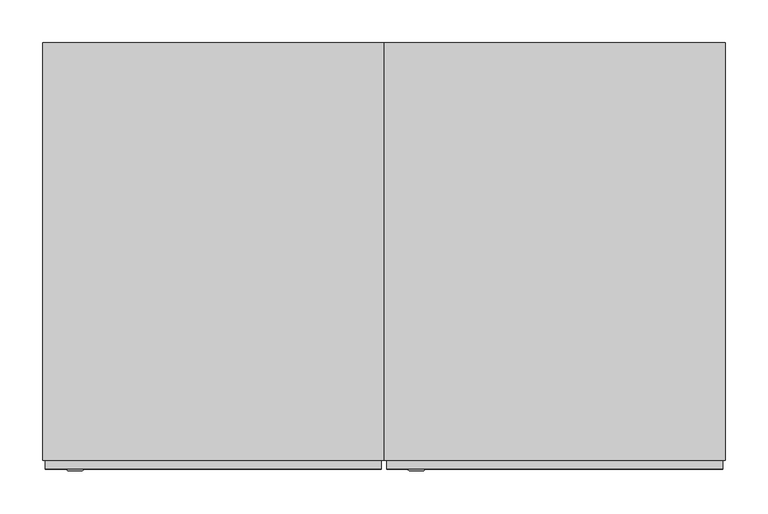
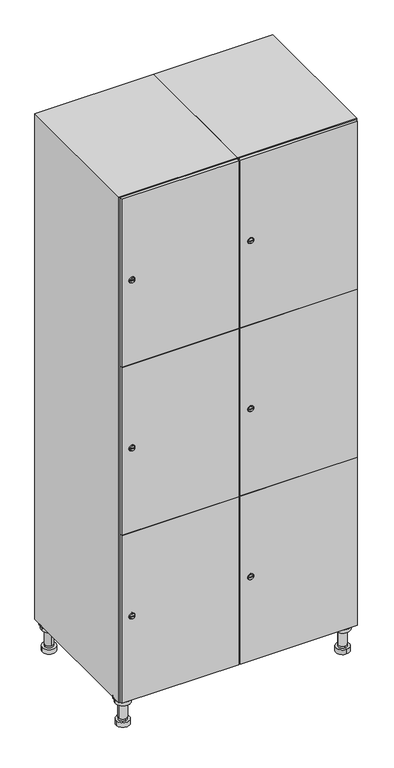
"""IFC4 building model written with IfcOpenShell, lengths in millimetres: furniture geometry."""

from ifc_helpers import new_model, si_unit, point, frame, frame_2d, origin, place, context, project, spatial, polyline, circle_curve, trimmed, segment, composite_curve, outline, extrude, faceted_brep, source, transform, mapped, element, save
from ifc_brep_helpers import plane_surface, cylinder_surface, revolved_surface, advanced_brep


def furniture_3eb37716(model_context):
    return source(origin(), model_context, "Body", "SolidModel", [
        advanced_brep(
        [(570.0, -201.0, 22.0), (570.0, -201.5, 16.0), (570.0, -228.5, 16.0), (570.0, -229.0, 22.0), (556.0, -215.0, 22.0), (584.0, -215.0, 22.0), (570.0, -192.5, 16.0), (570.0, -237.5, 16.0), (570.0, -192.5, 0.0), (570.0, -237.5, 0.0), (584.0, -215.0, 78.0), (556.0, -215.0, 78.0), (595.0, -215.0, 78.0), (545.0, -215.0, 78.0), (600.0, -215.0, 94.0), (540.0, -215.0, 94.0), (545.0, -215.0, 94.0), (595.0, -215.0, 94.0), (600.0, -215.0, 100.0), (540.0, -215.0, 100.0)],
        [
            (0, 1),
            (1, 2, circle_curve(frame((570.0, -215.0, 16.0), z_axis=(0.0, 0.0, 1.0), x_axis=(0.0, -1.0, 0.0)), 13.5)),
            (2, 3),
            (3, 4, circle_curve(frame((570.0, -215.0, 22.0), z_axis=(0.0, 0.0, -1.0), x_axis=(0.0, -1.0, 0.0)), 14.0)),
            (4, 0, circle_curve(frame((570.0, -215.0, 22.0), z_axis=(0.0, 0.0, -1.0), x_axis=(0.0, -1.0, 0.0)), 14.0)),
            (0, 5, circle_curve(frame((570.0, -215.0, 22.0), z_axis=(0.0, 0.0, -1.0), x_axis=(0.0, 1.0, 0.0)), 14.0)),
            (5, 3, circle_curve(frame((570.0, -215.0, 22.0), z_axis=(0.0, 0.0, -1.0), x_axis=(0.0, 1.0, 0.0)), 14.0)),
            (2, 1, circle_curve(frame((570.0, -215.0, 16.0), z_axis=(0.0, 0.0, 1.0), x_axis=(0.0, 1.0, 0.0)), 13.5)),
            (6, 7, circle_curve(frame((570.0, -215.0, 16.0), z_axis=(0.0, 0.0, 1.0), x_axis=(0.0, -1.0, 0.0)), 22.5)),
            (7, 6, circle_curve(frame((570.0, -215.0, 16.0), z_axis=(0.0, 0.0, 1.0), x_axis=(0.0, -1.0, 0.0)), 22.5)),
            (8, 9, circle_curve(frame((570.0, -215.0, 0.0), z_axis=(0.0, 0.0, -1.0), x_axis=(0.0, -1.0, 0.0)), 22.5)),
            (9, 8, circle_curve(frame((570.0, -215.0, 0.0), z_axis=(0.0, 0.0, -1.0), x_axis=(0.0, -1.0, 0.0)), 22.5)),
            (6, 8),
            (9, 7),
            (5, 10),
            (10, 11, circle_curve(frame((570.0, -215.0, 78.0), z_axis=(0.0, 0.0, -1.0), x_axis=(-1.0, 0.0, 0.0)), 14.0)),
            (11, 4),
            (11, 10, circle_curve(frame((570.0, -215.0, 78.0), z_axis=(0.0, 0.0, -1.0), x_axis=(-1.0, 0.0, 0.0)), 14.0)),
            (12, 13, circle_curve(frame((570.0, -215.0, 78.0), z_axis=(0.0, 0.0, -1.0), x_axis=(-1.0, 0.0, 0.0)), 25.0)),
            (13, 12, circle_curve(frame((570.0, -215.0, 78.0), z_axis=(0.0, 0.0, -1.0), x_axis=(-1.0, 0.0, 0.0)), 25.0)),
            (14, 15, circle_curve(frame((570.0, -215.0, 94.0), z_axis=(0.0, 0.0, -1.0), x_axis=(-1.0, 0.0, 0.0)), 30.0)),
            (15, 14, circle_curve(frame((570.0, -215.0, 94.0), z_axis=(0.0, 0.0, -1.0), x_axis=(-1.0, 0.0, 0.0)), 30.0)),
            (16, 17, circle_curve(frame((570.0, -215.0, 94.0), z_axis=(0.0, 0.0, 1.0), x_axis=(-1.0, 0.0, 0.0)), 25.0)),
            (17, 16, circle_curve(frame((570.0, -215.0, 94.0), z_axis=(0.0, 0.0, 1.0), x_axis=(-1.0, 0.0, 0.0)), 25.0)),
            (18, 19, circle_curve(frame((570.0, -215.0, 100.0), z_axis=(0.0, 0.0, 1.0), x_axis=(-1.0, 0.0, 0.0)), 30.0)),
            (19, 18, circle_curve(frame((570.0, -215.0, 100.0), z_axis=(0.0, 0.0, 1.0), x_axis=(-1.0, 0.0, 0.0)), 30.0)),
            (14, 18),
            (19, 15),
            (12, 17),
            (16, 13),
        ],
        [
            revolved_surface(polyline([(570.0, -201.5, 16.0), (570.0, -201.0, 22.0)]), (570.0, -215.0, -146.0), (0.0, 0.0, 1.0)),
            plane_surface(frame((570.0, 0.0, 16.0), z_axis=(0.0, 0.0, 1.0), x_axis=(0.0, -1.0, 0.0))),
            plane_surface(frame((570.0, 0.0, 0.0), z_axis=(0.0, 0.0, -1.0), x_axis=(0.0, -1.0, 0.0))),
            cylinder_surface(frame((570.0, -215.0, 16.0), z_axis=(0.0, 0.0, 1.0), x_axis=(0.0, -1.0, 0.0)), 22.5),
            cylinder_surface(frame((570.0, -215.0, 22.0), z_axis=(0.0, 0.0, -1.0), x_axis=(-1.0, 0.0, 0.0)), 14.0),
            plane_surface(frame((570.0, 0.0, 78.0), z_axis=(0.0, 0.0, -1.0), x_axis=(0.0, -1.0, 0.0))),
            plane_surface(frame((570.0, 0.0, 94.0), z_axis=(0.0, 0.0, -1.0), x_axis=(0.0, -1.0, 0.0))),
            plane_surface(frame((570.0, 0.0, 100.0), z_axis=(0.0, 0.0, 1.0), x_axis=(0.0, -1.0, 0.0))),
            cylinder_surface(frame((570.0, -215.0, 94.0), z_axis=(0.0, 0.0, -1.0), x_axis=(-1.0, 0.0, 0.0)), 30.0),
            cylinder_surface(frame((570.0, -215.0, 78.0), z_axis=(0.0, 0.0, -1.0), x_axis=(-1.0, 0.0, 0.0)), 25.0),
        ],
        [
            (0, [[1, 2, 3, 4, 5]]),
            (0, [[-1, 6, 7, -3, 8]]),
            (1, [[9, 10], [-2, -8]]),
            (2, [[11, 12]]),
            (3, [[-9, 13, -12, 14]]),
            (3, [[-10, -14, -11, -13]]),
            (4, [[15, 16, 17, -4, -7]]),
            (4, [[-15, -6, -5, -17, 18]]),
            (5, [[19, 20], [-16, -18]]),
            (6, [[21, 22], [23, 24]]),
            (7, [[25, 26]]),
            (8, [[-21, 27, -26, 28]]),
            (8, [[-22, -28, -25, -27]]),
            (9, [[-19, 29, -23, 30]]),
            (9, [[-20, -30, -24, -29]]),
        ],
    ),
        advanced_brep(
        [(-170.0, -201.0, 22.0), (-170.0, -201.5, 16.0), (-170.0, -228.5, 16.0), (-170.0, -229.0, 22.0), (-184.0, -215.0, 22.0), (-156.0, -215.0, 22.0), (-147.5, -215.0, 0.0), (-192.5, -215.0, 0.0), (-147.5, -215.0, 16.0), (-192.5, -215.0, 16.0), (-156.0, -215.0, 78.0), (-184.0, -215.0, 78.0), (-145.0, -215.0, 78.0), (-195.0, -215.0, 78.0), (-140.0, -215.0, 94.0), (-200.0, -215.0, 94.0), (-195.0, -215.0, 94.0), (-145.0, -215.0, 94.0), (-140.0, -215.0, 100.0), (-200.0, -215.0, 100.0)],
        [
            (0, 1),
            (1, 2, circle_curve(frame((-170.0, -215.0, 16.0), z_axis=(0.0, 0.0, 1.0), x_axis=(0.0, -1.0, 0.0)), 13.5)),
            (2, 3),
            (3, 4, circle_curve(frame((-170.0, -215.0, 22.0), z_axis=(0.0, 0.0, -1.0), x_axis=(0.0, -1.0, 0.0)), 14.0)),
            (4, 0, circle_curve(frame((-170.0, -215.0, 22.0), z_axis=(0.0, 0.0, -1.0), x_axis=(0.0, -1.0, 0.0)), 14.0)),
            (0, 5, circle_curve(frame((-170.0, -215.0, 22.0), z_axis=(0.0, 0.0, -1.0), x_axis=(0.0, 1.0, 0.0)), 14.0)),
            (5, 3, circle_curve(frame((-170.0, -215.0, 22.0), z_axis=(0.0, 0.0, -1.0), x_axis=(0.0, 1.0, 0.0)), 14.0)),
            (2, 1, circle_curve(frame((-170.0, -215.0, 16.0), z_axis=(0.0, 0.0, 1.0), x_axis=(0.0, 1.0, 0.0)), 13.5)),
            (6, 7, circle_curve(frame((-170.0, -215.0, 0.0), z_axis=(0.0, 0.0, -1.0), x_axis=(-1.0, 0.0, 0.0)), 22.5)),
            (7, 6, circle_curve(frame((-170.0, -215.0, 0.0), z_axis=(0.0, 0.0, -1.0), x_axis=(-1.0, 0.0, 0.0)), 22.5)),
            (8, 9, circle_curve(frame((-170.0, -215.0, 16.0), z_axis=(0.0, 0.0, 1.0), x_axis=(-1.0, 0.0, 0.0)), 22.5)),
            (9, 8, circle_curve(frame((-170.0, -215.0, 16.0), z_axis=(0.0, 0.0, 1.0), x_axis=(-1.0, 0.0, 0.0)), 22.5)),
            (6, 8),
            (9, 7),
            (5, 10),
            (10, 11, circle_curve(frame((-170.0, -215.0, 78.0), z_axis=(0.0, 0.0, -1.0), x_axis=(-1.0, 0.0, 0.0)), 14.0)),
            (11, 4),
            (11, 10, circle_curve(frame((-170.0, -215.0, 78.0), z_axis=(0.0, 0.0, -1.0), x_axis=(-1.0, 0.0, 0.0)), 14.0)),
            (12, 13, circle_curve(frame((-170.0, -215.0, 78.0), z_axis=(0.0, 0.0, -1.0), x_axis=(-1.0, 0.0, 0.0)), 25.0)),
            (13, 12, circle_curve(frame((-170.0, -215.0, 78.0), z_axis=(0.0, 0.0, -1.0), x_axis=(-1.0, 0.0, 0.0)), 25.0)),
            (14, 15, circle_curve(frame((-170.0, -215.0, 94.0), z_axis=(0.0, 0.0, -1.0), x_axis=(-1.0, 0.0, 0.0)), 30.0)),
            (15, 14, circle_curve(frame((-170.0, -215.0, 94.0), z_axis=(0.0, 0.0, -1.0), x_axis=(-1.0, 0.0, 0.0)), 30.0)),
            (16, 17, circle_curve(frame((-170.0, -215.0, 94.0), z_axis=(0.0, 0.0, 1.0), x_axis=(-1.0, 0.0, 0.0)), 25.0)),
            (17, 16, circle_curve(frame((-170.0, -215.0, 94.0), z_axis=(0.0, 0.0, 1.0), x_axis=(-1.0, 0.0, 0.0)), 25.0)),
            (18, 19, circle_curve(frame((-170.0, -215.0, 100.0), z_axis=(0.0, 0.0, 1.0), x_axis=(-1.0, 0.0, 0.0)), 30.0)),
            (19, 18, circle_curve(frame((-170.0, -215.0, 100.0), z_axis=(0.0, 0.0, 1.0), x_axis=(-1.0, 0.0, 0.0)), 30.0)),
            (14, 18),
            (19, 15),
            (12, 17),
            (16, 13),
        ],
        [
            revolved_surface(polyline([(-170.0, -201.5, 16.0), (-170.0, -201.0, 22.0)]), (-170.0, -215.0, -146.0), (0.0, 0.0, 1.0)),
            plane_surface(frame((-170.0, 0.0, 0.0), z_axis=(0.0, 0.0, -1.0), x_axis=(0.0, -1.0, 0.0))),
            plane_surface(frame((-170.0, 0.0, 16.0), z_axis=(0.0, 0.0, 1.0), x_axis=(0.0, -1.0, 0.0))),
            cylinder_surface(frame((-170.0, -215.0, 0.0), z_axis=(0.0, 0.0, -1.0), x_axis=(-1.0, 0.0, 0.0)), 22.5),
            cylinder_surface(frame((-170.0, -215.0, 22.0), z_axis=(0.0, 0.0, -1.0), x_axis=(-1.0, 0.0, 0.0)), 14.0),
            plane_surface(frame((-170.0, 0.0, 78.0), z_axis=(0.0, 0.0, -1.0), x_axis=(0.0, -1.0, 0.0))),
            plane_surface(frame((-170.0, 0.0, 94.0), z_axis=(0.0, 0.0, -1.0), x_axis=(0.0, -1.0, 0.0))),
            plane_surface(frame((-170.0, 0.0, 100.0), z_axis=(0.0, 0.0, 1.0), x_axis=(0.0, -1.0, 0.0))),
            cylinder_surface(frame((-170.0, -215.0, 94.0), z_axis=(0.0, 0.0, -1.0), x_axis=(-1.0, 0.0, 0.0)), 30.0),
            cylinder_surface(frame((-170.0, -215.0, 78.0), z_axis=(0.0, 0.0, -1.0), x_axis=(-1.0, 0.0, 0.0)), 25.0),
        ],
        [
            (0, [[1, 2, 3, 4, 5]]),
            (0, [[-1, 6, 7, -3, 8]]),
            (1, [[9, 10]]),
            (2, [[11, 12], [-2, -8]]),
            (3, [[-9, 13, -12, 14]]),
            (3, [[-10, -14, -11, -13]]),
            (4, [[15, 16, 17, -4, -7]]),
            (4, [[-15, -6, -5, -17, 18]]),
            (5, [[19, 20], [-16, -18]]),
            (6, [[21, 22], [23, 24]]),
            (7, [[25, 26]]),
            (8, [[-21, 27, -26, 28]]),
            (8, [[-22, -28, -25, -27]]),
            (9, [[-19, 29, -23, 30]]),
            (9, [[-20, -30, -24, -29]]),
        ],
    ),
        advanced_brep(
        [(583.5, 215.0, 16.0), (584.0, 215.0, 22.0), (556.0, 215.0, 22.0), (556.5, 215.0, 16.0), (592.5, 215.0, 0.0), (547.5, 215.0, 0.0), (592.5, 215.0, 16.0), (547.5, 215.0, 16.0), (584.0, 215.0, 78.0), (556.0, 215.0, 78.0), (595.0, 215.0, 78.0), (545.0, 215.0, 78.0), (600.0, 215.0, 94.0), (540.0, 215.0, 94.0), (545.0, 215.0, 94.0), (595.0, 215.0, 94.0), (600.0, 215.0, 100.0), (540.0, 215.0, 100.0)],
        [
            (0, 1),
            (1, 2, circle_curve(frame((570.0, 215.0, 22.0), z_axis=(0.0, 0.0, -1.0), x_axis=(-1.0, 0.0, 0.0)), 14.0)),
            (2, 3),
            (3, 0, circle_curve(frame((570.0, 215.0, 16.0), z_axis=(0.0, 0.0, 1.0), x_axis=(-1.0, 0.0, 0.0)), 13.5)),
            (0, 3, circle_curve(frame((570.0, 215.0, 16.0), z_axis=(0.0, 0.0, 1.0), x_axis=(1.0, 0.0, 0.0)), 13.5)),
            (2, 1, circle_curve(frame((570.0, 215.0, 22.0), z_axis=(0.0, 0.0, -1.0), x_axis=(1.0, 0.0, 0.0)), 14.0)),
            (4, 5, circle_curve(frame((570.0, 215.0, 0.0), z_axis=(0.0, 0.0, -1.0), x_axis=(-1.0, 0.0, 0.0)), 22.5)),
            (5, 4, circle_curve(frame((570.0, 215.0, 0.0), z_axis=(0.0, 0.0, -1.0), x_axis=(-1.0, 0.0, 0.0)), 22.5)),
            (6, 7, circle_curve(frame((570.0, 215.0, 16.0), z_axis=(0.0, 0.0, 1.0), x_axis=(-1.0, 0.0, 0.0)), 22.5)),
            (7, 6, circle_curve(frame((570.0, 215.0, 16.0), z_axis=(0.0, 0.0, 1.0), x_axis=(-1.0, 0.0, 0.0)), 22.5)),
            (4, 6),
            (7, 5),
            (1, 8),
            (8, 9, circle_curve(frame((570.0, 215.0, 78.0), z_axis=(0.0, 0.0, -1.0), x_axis=(-1.0, 0.0, 0.0)), 14.0)),
            (9, 2),
            (9, 8, circle_curve(frame((570.0, 215.0, 78.0), z_axis=(0.0, 0.0, -1.0), x_axis=(-1.0, 0.0, 0.0)), 14.0)),
            (10, 11, circle_curve(frame((570.0, 215.0, 78.0), z_axis=(0.0, 0.0, -1.0), x_axis=(-1.0, 0.0, 0.0)), 25.0)),
            (11, 10, circle_curve(frame((570.0, 215.0, 78.0), z_axis=(0.0, 0.0, -1.0), x_axis=(-1.0, 0.0, 0.0)), 25.0)),
            (12, 13, circle_curve(frame((570.0, 215.0, 94.0), z_axis=(0.0, 0.0, -1.0), x_axis=(-1.0, 0.0, 0.0)), 30.0)),
            (13, 12, circle_curve(frame((570.0, 215.0, 94.0), z_axis=(0.0, 0.0, -1.0), x_axis=(-1.0, 0.0, 0.0)), 30.0)),
            (14, 15, circle_curve(frame((570.0, 215.0, 94.0), z_axis=(0.0, 0.0, 1.0), x_axis=(-1.0, 0.0, 0.0)), 25.0)),
            (15, 14, circle_curve(frame((570.0, 215.0, 94.0), z_axis=(0.0, 0.0, 1.0), x_axis=(-1.0, 0.0, 0.0)), 25.0)),
            (16, 17, circle_curve(frame((570.0, 215.0, 100.0), z_axis=(0.0, 0.0, 1.0), x_axis=(-1.0, 0.0, 0.0)), 30.0)),
            (17, 16, circle_curve(frame((570.0, 215.0, 100.0), z_axis=(0.0, 0.0, 1.0), x_axis=(-1.0, 0.0, 0.0)), 30.0)),
            (12, 16),
            (17, 13),
            (10, 15),
            (14, 11),
        ],
        [
            revolved_surface(polyline([(583.5, 215.0, 16.0), (584.0, 215.0, 22.0)]), (570.0, 215.0, -146.0), (0.0, 0.0, 1.0)),
            plane_surface(frame((570.0, 0.0, 0.0), z_axis=(0.0, 0.0, -1.0), x_axis=(0.0, -1.0, 0.0))),
            plane_surface(frame((570.0, 0.0, 16.0), z_axis=(0.0, 0.0, 1.0), x_axis=(0.0, -1.0, 0.0))),
            cylinder_surface(frame((570.0, 215.0, 0.0), z_axis=(0.0, 0.0, -1.0), x_axis=(-1.0, 0.0, 0.0)), 22.5),
            cylinder_surface(frame((570.0, 215.0, 22.0), z_axis=(0.0, 0.0, -1.0), x_axis=(-1.0, 0.0, 0.0)), 14.0),
            plane_surface(frame((570.0, 0.0, 78.0), z_axis=(0.0, 0.0, -1.0), x_axis=(0.0, -1.0, 0.0))),
            plane_surface(frame((570.0, 0.0, 94.0), z_axis=(0.0, 0.0, -1.0), x_axis=(0.0, -1.0, 0.0))),
            plane_surface(frame((570.0, 0.0, 100.0), z_axis=(0.0, 0.0, 1.0), x_axis=(0.0, -1.0, 0.0))),
            cylinder_surface(frame((570.0, 215.0, 94.0), z_axis=(0.0, 0.0, -1.0), x_axis=(-1.0, 0.0, 0.0)), 30.0),
            cylinder_surface(frame((570.0, 215.0, 78.0), z_axis=(0.0, 0.0, -1.0), x_axis=(-1.0, 0.0, 0.0)), 25.0),
        ],
        [
            (0, [[1, 2, 3, 4]]),
            (0, [[-1, 5, -3, 6]]),
            (1, [[7, 8]]),
            (2, [[9, 10], [-4, -5]]),
            (3, [[-7, 11, -10, 12]]),
            (3, [[-8, -12, -9, -11]]),
            (4, [[13, 14, 15, -2]]),
            (4, [[-13, -6, -15, 16]]),
            (5, [[17, 18], [-14, -16]]),
            (6, [[19, 20], [21, 22]]),
            (7, [[23, 24]]),
            (8, [[-19, 25, -24, 26]]),
            (8, [[-20, -26, -23, -25]]),
            (9, [[-17, 27, -21, 28]]),
            (9, [[-18, -28, -22, -27]]),
        ],
    ),
        advanced_brep(
        [(-156.5, 215.0, 16.0), (-156.0, 215.0, 22.0), (-170.0, 201.0, 22.0), (-184.0, 215.0, 22.0), (-183.5, 215.0, 16.0), (-170.0, 229.0, 22.0), (-147.5, 215.0, 0.0), (-192.5, 215.0, 0.0), (-147.5, 215.0, 16.0), (-192.5, 215.0, 16.0), (-170.0, 229.0, 78.0), (-170.0, 201.0, 78.0), (-145.0, 215.0, 78.0), (-195.0, 215.0, 78.0), (-140.0, 215.0, 94.0), (-200.0, 215.0, 94.0), (-195.0, 215.0, 94.0), (-145.0, 215.0, 94.0), (-140.0, 215.0, 100.0), (-200.0, 215.0, 100.0)],
        [
            (0, 1),
            (1, 2, circle_curve(frame((-170.0, 215.0, 22.0), z_axis=(0.0, 0.0, -1.0), x_axis=(-1.0, 0.0, 0.0)), 14.0)),
            (2, 3, circle_curve(frame((-170.0, 215.0, 22.0), z_axis=(0.0, 0.0, -1.0), x_axis=(-1.0, 0.0, 0.0)), 14.0)),
            (3, 4),
            (4, 0, circle_curve(frame((-170.0, 215.0, 16.0), z_axis=(0.0, 0.0, 1.0), x_axis=(-1.0, 0.0, 0.0)), 13.5)),
            (0, 4, circle_curve(frame((-170.0, 215.0, 16.0), z_axis=(0.0, 0.0, 1.0), x_axis=(1.0, 0.0, 0.0)), 13.5)),
            (3, 5, circle_curve(frame((-170.0, 215.0, 22.0), z_axis=(0.0, 0.0, -1.0), x_axis=(1.0, 0.0, 0.0)), 14.0)),
            (5, 1, circle_curve(frame((-170.0, 215.0, 22.0), z_axis=(0.0, 0.0, -1.0), x_axis=(1.0, 0.0, 0.0)), 14.0)),
            (6, 7, circle_curve(frame((-170.0, 215.0, 0.0), z_axis=(0.0, 0.0, -1.0), x_axis=(-1.0, 0.0, 0.0)), 22.5)),
            (7, 6, circle_curve(frame((-170.0, 215.0, 0.0), z_axis=(0.0, 0.0, -1.0), x_axis=(-1.0, 0.0, 0.0)), 22.5)),
            (8, 9, circle_curve(frame((-170.0, 215.0, 16.0), z_axis=(0.0, 0.0, 1.0), x_axis=(-1.0, 0.0, 0.0)), 22.5)),
            (9, 8, circle_curve(frame((-170.0, 215.0, 16.0), z_axis=(0.0, 0.0, 1.0), x_axis=(-1.0, 0.0, 0.0)), 22.5)),
            (6, 8),
            (9, 7),
            (10, 5),
            (2, 11),
            (11, 10, circle_curve(frame((-170.0, 215.0, 78.0), z_axis=(0.0, 0.0, -1.0), x_axis=(0.0, -1.0, 0.0)), 14.0)),
            (10, 11, circle_curve(frame((-170.0, 215.0, 78.0), z_axis=(0.0, 0.0, -1.0), x_axis=(0.0, -1.0, 0.0)), 14.0)),
            (12, 13, circle_curve(frame((-170.0, 215.0, 78.0), z_axis=(0.0, 0.0, -1.0), x_axis=(-1.0, 0.0, 0.0)), 25.0)),
            (13, 12, circle_curve(frame((-170.0, 215.0, 78.0), z_axis=(0.0, 0.0, -1.0), x_axis=(-1.0, 0.0, 0.0)), 25.0)),
            (14, 15, circle_curve(frame((-170.0, 215.0, 94.0), z_axis=(0.0, 0.0, -1.0), x_axis=(-1.0, 0.0, 0.0)), 30.0)),
            (15, 14, circle_curve(frame((-170.0, 215.0, 94.0), z_axis=(0.0, 0.0, -1.0), x_axis=(-1.0, 0.0, 0.0)), 30.0)),
            (16, 17, circle_curve(frame((-170.0, 215.0, 94.0), z_axis=(0.0, 0.0, 1.0), x_axis=(-1.0, 0.0, 0.0)), 25.0)),
            (17, 16, circle_curve(frame((-170.0, 215.0, 94.0), z_axis=(0.0, 0.0, 1.0), x_axis=(-1.0, 0.0, 0.0)), 25.0)),
            (18, 19, circle_curve(frame((-170.0, 215.0, 100.0), z_axis=(0.0, 0.0, 1.0), x_axis=(-1.0, 0.0, 0.0)), 30.0)),
            (19, 18, circle_curve(frame((-170.0, 215.0, 100.0), z_axis=(0.0, 0.0, 1.0), x_axis=(-1.0, 0.0, 0.0)), 30.0)),
            (14, 18),
            (19, 15),
            (12, 17),
            (16, 13),
        ],
        [
            revolved_surface(polyline([(-156.5, 215.0, 16.0), (-156.0, 215.0, 22.0)]), (-170.0, 215.0, -146.0), (0.0, 0.0, 1.0)),
            plane_surface(frame((-170.0, 0.0, 0.0), z_axis=(0.0, 0.0, -1.0), x_axis=(0.0, -1.0, 0.0))),
            plane_surface(frame((-170.0, 0.0, 16.0), z_axis=(0.0, 0.0, 1.0), x_axis=(0.0, -1.0, 0.0))),
            cylinder_surface(frame((-170.0, 215.0, 0.0), z_axis=(0.0, 0.0, -1.0), x_axis=(-1.0, 0.0, 0.0)), 22.5),
            cylinder_surface(frame((-170.0, 215.0, 78.0), z_axis=(0.0, 0.0, 1.0), x_axis=(0.0, -1.0, 0.0)), 14.0),
            plane_surface(frame((-170.0, 0.0, 78.0), z_axis=(0.0, 0.0, -1.0), x_axis=(0.0, -1.0, 0.0))),
            plane_surface(frame((-170.0, 0.0, 94.0), z_axis=(0.0, 0.0, -1.0), x_axis=(0.0, -1.0, 0.0))),
            plane_surface(frame((-170.0, 0.0, 100.0), z_axis=(0.0, 0.0, 1.0), x_axis=(0.0, -1.0, 0.0))),
            cylinder_surface(frame((-170.0, 215.0, 94.0), z_axis=(0.0, 0.0, -1.0), x_axis=(-1.0, 0.0, 0.0)), 30.0),
            cylinder_surface(frame((-170.0, 215.0, 78.0), z_axis=(0.0, 0.0, -1.0), x_axis=(-1.0, 0.0, 0.0)), 25.0),
        ],
        [
            (0, [[1, 2, 3, 4, 5]]),
            (0, [[-1, 6, -4, 7, 8]]),
            (1, [[9, 10]]),
            (2, [[11, 12], [-5, -6]]),
            (3, [[-9, 13, -12, 14]]),
            (3, [[-10, -14, -11, -13]]),
            (4, [[15, -7, -3, 16, 17]]),
            (4, [[-15, 18, -16, -2, -8]]),
            (5, [[19, 20], [-17, -18]]),
            (6, [[21, 22], [23, 24]]),
            (7, [[25, 26]]),
            (8, [[-21, 27, -26, 28]]),
            (8, [[-22, -28, -25, -27]]),
            (9, [[-19, 29, -23, 30]]),
            (9, [[-20, -30, -24, -29]]),
        ],
    ),
        extrude(outline(composite_curve([segment(trimmed(circle_curve(frame_2d((402.0, 211.2010534)), 7.0), [point((409.0, 211.2010534))], [point((395.0, 211.2010534))], False, "CARTESIAN"), True, "CONTINUOUS"), segment(polyline([(395.0, 211.2010534), (395.0, 239.2010534)]), True, "CONTINUOUS"), segment(trimmed(circle_curve(frame_2d((402.0, 239.2010534)), 7.0), [point((395.0, 239.2010534))], [point((409.0, 239.2010534))], False, "CARTESIAN"), True, "CONTINUOUS"), segment(polyline([(409.0, 239.2010534), (409.0, 211.2010534)]), True, "CONTINUOUS")], self_intersect=False)), frame((0.0, -245.0, 0.0), z_axis=(0.0, 1.0, 0.0), x_axis=(0.0, 0.0, 1.0)), (0.0, 0.0, 1.0), 2.0),
        advanced_brep(
        [(246.5, -257.2, 402.0), (229.5, -257.2, 402.0), (233.0, -257.2, 400.75), (233.0, -257.2, 403.25), (243.0, -257.2, 403.25), (243.0, -257.2, 400.75), (248.5, -255.0, 402.0), (227.5, -255.0, 402.0), (233.0, -255.0, 403.25), (233.0, -255.0, 400.75), (243.0, -255.0, 400.75), (243.0, -255.0, 403.25)],
        [
            (0, 1, circle_curve(frame((238.0, -257.2, 402.0), z_axis=(0.0, -1.0, 0.0), x_axis=(1.0, 0.0, 0.0)), 8.5)),
            (1, 0, circle_curve(frame((238.0, -257.2, 402.0), z_axis=(0.0, -1.0, 0.0), x_axis=(-1.0, 0.0, 0.0)), 8.5)),
            (2, 3),
            (3, 4),
            (4, 5),
            (5, 2),
            (6, 7, circle_curve(frame((238.0, -255.0, 402.0), z_axis=(0.0, 1.0, 0.0), x_axis=(-1.0, 0.0, 0.0)), 10.5)),
            (7, 6, circle_curve(frame((238.0, -255.0, 402.0), z_axis=(0.0, 1.0, 0.0), x_axis=(1.0, 0.0, 0.0)), 10.5)),
            (8, 9),
            (9, 10),
            (10, 11),
            (11, 8),
            (0, 6),
            (7, 1),
            (8, 3),
            (2, 9),
            (11, 4),
            (10, 5),
        ],
        [
            plane_surface(frame((238.0, -257.2, 402.0), z_axis=(0.0, -1.0, 0.0), x_axis=(0.0, 0.0, 1.0))),
            plane_surface(frame((238.0, -255.0, 402.0), z_axis=(0.0, 1.0, 0.0), x_axis=(0.0, 0.0, 1.0))),
            revolved_surface(polyline([(246.5, -257.2, 402.0), (248.5, -255.0, 402.0)]), (238.0, -266.55, 402.0), (0.0, 1.0, 0.0)),
            revolved_surface(polyline([(229.5, -257.2, 402.0), (227.5, -255.0, 402.0)]), (238.0, -266.55, 402.0), (0.0, 1.0, 0.0)),
            plane_surface(frame((233.0, -255.0, 400.75), z_axis=(1.0, 0.0, 0.0), x_axis=(0.0, -1.0, 0.0))),
            plane_surface(frame((233.0, -255.0, 403.25), z_axis=(0.0, 0.0, -1.0), x_axis=(0.0, -1.0, 0.0))),
            plane_surface(frame((243.0, -255.0, 403.25), z_axis=(-1.0, 0.0, 0.0), x_axis=(0.0, -1.0, 0.0))),
            plane_surface(frame((243.0, -255.0, 400.75), z_axis=(0.0, 0.0, 1.0), x_axis=(0.0, -1.0, 0.0))),
        ],
        [
            (0, [[1, 2], [3, 4, 5, 6]]),
            (1, [[7, 8], [9, 10, 11, 12]]),
            (2, [[-1, 13, -8, 14]]),
            (3, [[-2, -14, -7, -13]]),
            (4, [[15, -3, 16, -9]]),
            (5, [[-15, -12, 17, -4]]),
            (6, [[-17, -11, 18, -5]]),
            (7, [[-16, -6, -18, -10]]),
        ],
    ),
        extrude(outline(composite_curve([segment(trimmed(circle_curve(frame_2d((1000.0, 211.2010534)), 7.0), [point((1007.0, 211.2010534))], [point((993.0, 211.2010534))], False, "CARTESIAN"), True, "CONTINUOUS"), segment(polyline([(993.0, 211.2010534), (993.0, 239.2010534)]), True, "CONTINUOUS"), segment(trimmed(circle_curve(frame_2d((1000.0, 239.2010534)), 7.0), [point((993.0, 239.2010534))], [point((1007.0, 239.2010534))], False, "CARTESIAN"), True, "CONTINUOUS"), segment(polyline([(1007.0, 239.2010534), (1007.0, 211.2010534)]), True, "CONTINUOUS")], self_intersect=False)), frame((0.0, -245.0, 0.0), z_axis=(0.0, 1.0, 0.0), x_axis=(0.0, 0.0, 1.0)), (0.0, 0.0, 1.0), 2.0),
        advanced_brep(
        [(246.5, -257.2, 1000.0), (229.5, -257.2, 1000.0), (233.0, -257.2, 998.75), (233.0, -257.2, 1001.25), (243.0, -257.2, 1001.25), (243.0, -257.2, 998.75), (248.5, -255.0, 1000.0), (227.5, -255.0, 1000.0), (233.0, -255.0, 1001.25), (233.0, -255.0, 998.75), (243.0, -255.0, 998.75), (243.0, -255.0, 1001.25)],
        [
            (0, 1, circle_curve(frame((238.0, -257.2, 1000.0), z_axis=(0.0, -1.0, 0.0), x_axis=(1.0, 0.0, 0.0)), 8.5)),
            (1, 0, circle_curve(frame((238.0, -257.2, 1000.0), z_axis=(0.0, -1.0, 0.0), x_axis=(-1.0, 0.0, 0.0)), 8.5)),
            (2, 3),
            (3, 4),
            (4, 5),
            (5, 2),
            (6, 7, circle_curve(frame((238.0, -255.0, 1000.0), z_axis=(0.0, 1.0, 0.0), x_axis=(-1.0, 0.0, 0.0)), 10.5)),
            (7, 6, circle_curve(frame((238.0, -255.0, 1000.0), z_axis=(0.0, 1.0, 0.0), x_axis=(1.0, 0.0, 0.0)), 10.5)),
            (8, 9),
            (9, 10),
            (10, 11),
            (11, 8),
            (0, 6),
            (7, 1),
            (8, 3),
            (2, 9),
            (11, 4),
            (10, 5),
        ],
        [
            plane_surface(frame((238.0, -257.2, 1000.0), z_axis=(0.0, -1.0, 0.0), x_axis=(0.0, 0.0, 1.0))),
            plane_surface(frame((238.0, -255.0, 1000.0), z_axis=(0.0, 1.0, 0.0), x_axis=(0.0, 0.0, 1.0))),
            revolved_surface(polyline([(246.5, -257.2, 1000.0), (248.5, -255.0, 1000.0)]), (238.0, -266.55, 1000.0), (0.0, 1.0, 0.0)),
            revolved_surface(polyline([(229.5, -257.2, 1000.0), (227.5, -255.0, 1000.0)]), (238.0, -266.55, 1000.0), (0.0, 1.0, 0.0)),
            plane_surface(frame((233.0, -255.0, 998.75), z_axis=(1.0, 0.0, 0.0), x_axis=(0.0, -1.0, 0.0))),
            plane_surface(frame((233.0, -255.0, 1001.25), z_axis=(0.0, 0.0, -1.0), x_axis=(0.0, -1.0, 0.0))),
            plane_surface(frame((243.0, -255.0, 1001.25), z_axis=(-1.0, 0.0, 0.0), x_axis=(0.0, -1.0, 0.0))),
            plane_surface(frame((243.0, -255.0, 998.75), z_axis=(0.0, 0.0, 1.0), x_axis=(0.0, -1.0, 0.0))),
        ],
        [
            (0, [[1, 2], [3, 4, 5, 6]]),
            (1, [[7, 8], [9, 10, 11, 12]]),
            (2, [[-1, 13, -8, 14]]),
            (3, [[-2, -14, -7, -13]]),
            (4, [[15, -3, 16, -9]]),
            (5, [[-15, -12, 17, -4]]),
            (6, [[-17, -11, 18, -5]]),
            (7, [[-16, -6, -18, -10]]),
        ],
    ),
        extrude(outline(composite_curve([segment(trimmed(circle_curve(frame_2d((1598.0, 211.2010534)), 7.0), [point((1605.0, 211.2010534))], [point((1591.0, 211.2010534))], False, "CARTESIAN"), True, "CONTINUOUS"), segment(polyline([(1591.0, 211.2010534), (1591.0, 239.2010534)]), True, "CONTINUOUS"), segment(trimmed(circle_curve(frame_2d((1598.0, 239.2010534)), 7.0), [point((1591.0, 239.2010534))], [point((1605.0, 239.2010534))], False, "CARTESIAN"), True, "CONTINUOUS"), segment(polyline([(1605.0, 239.2010534), (1605.0, 211.2010534)]), True, "CONTINUOUS")], self_intersect=False)), frame((0.0, -245.0, 0.0), z_axis=(0.0, 1.0, 0.0), x_axis=(0.0, 0.0, 1.0)), (0.0, 0.0, 1.0), 2.0),
        advanced_brep(
        [(246.5, -257.2, 1598.0), (229.5, -257.2, 1598.0), (233.0, -257.2, 1596.75), (233.0, -257.2, 1599.25), (243.0, -257.2, 1599.25), (243.0, -257.2, 1596.75), (248.5, -255.0, 1598.0), (227.5, -255.0, 1598.0), (233.0, -255.0, 1599.25), (233.0, -255.0, 1596.75), (243.0, -255.0, 1596.75), (243.0, -255.0, 1599.25)],
        [
            (0, 1, circle_curve(frame((238.0, -257.2, 1598.0), z_axis=(0.0, -1.0, 0.0), x_axis=(1.0, 0.0, 0.0)), 8.5)),
            (1, 0, circle_curve(frame((238.0, -257.2, 1598.0), z_axis=(0.0, -1.0, 0.0), x_axis=(-1.0, 0.0, 0.0)), 8.5)),
            (2, 3),
            (3, 4),
            (4, 5),
            (5, 2),
            (6, 7, circle_curve(frame((238.0, -255.0, 1598.0), z_axis=(0.0, 1.0, 0.0), x_axis=(-1.0, 0.0, 0.0)), 10.5)),
            (7, 6, circle_curve(frame((238.0, -255.0, 1598.0), z_axis=(0.0, 1.0, 0.0), x_axis=(1.0, 0.0, 0.0)), 10.5)),
            (8, 9),
            (9, 10),
            (10, 11),
            (11, 8),
            (0, 6),
            (7, 1),
            (8, 3),
            (2, 9),
            (11, 4),
            (10, 5),
        ],
        [
            plane_surface(frame((238.0, -257.2, 1598.0), z_axis=(0.0, -1.0, 0.0), x_axis=(0.0, 0.0, 1.0))),
            plane_surface(frame((238.0, -255.0, 1598.0), z_axis=(0.0, 1.0, 0.0), x_axis=(0.0, 0.0, 1.0))),
            revolved_surface(polyline([(246.5, -257.2, 1598.0), (248.5, -255.0, 1598.0)]), (238.0, -266.55, 1598.0), (0.0, 1.0, 0.0)),
            revolved_surface(polyline([(229.5, -257.2, 1598.0), (227.5, -255.0, 1598.0)]), (238.0, -266.55, 1598.0), (0.0, 1.0, 0.0)),
            plane_surface(frame((233.0, -255.0, 1596.75), z_axis=(1.0, 0.0, 0.0), x_axis=(0.0, -1.0, 0.0))),
            plane_surface(frame((233.0, -255.0, 1599.25), z_axis=(0.0, 0.0, -1.0), x_axis=(0.0, -1.0, 0.0))),
            plane_surface(frame((243.0, -255.0, 1599.25), z_axis=(-1.0, 0.0, 0.0), x_axis=(0.0, -1.0, 0.0))),
            plane_surface(frame((243.0, -255.0, 1596.75), z_axis=(0.0, 0.0, 1.0), x_axis=(0.0, -1.0, 0.0))),
        ],
        [
            (0, [[1, 2], [3, 4, 5, 6]]),
            (1, [[7, 8], [9, 10, 11, 12]]),
            (2, [[-1, 13, -8, 14]]),
            (3, [[-2, -14, -7, -13]]),
            (4, [[15, -3, 16, -9]]),
            (5, [[-15, -12, 17, -4]]),
            (6, [[-17, -11, 18, -5]]),
            (7, [[-16, -6, -18, -10]]),
        ],
    ),
        extrude(outline(polyline([(597.0, -245.0), (597.0, -255.0), (203.0, -255.0), (203.0, -245.0), (597.0, -245.0)])), frame((0.0, 0.0, 701.5), z_axis=(0.0, 0.0, 1.0), x_axis=(1.0, 0.0, 0.0)), (0.0, 0.0, 1.0), 597.0),
        extrude(outline(polyline([(203.0, -255.0), (203.0, -245.0), (597.0, -245.0), (597.0, -255.0), (203.0, -255.0)])), frame((0.0, 0.0, 1299.5), z_axis=(0.0, 0.0, 1.0), x_axis=(1.0, 0.0, 0.0)), (0.0, 0.0, 1.0), 597.5),
        extrude(outline(polyline([(597.0, -245.0), (597.0, -255.0), (203.0, -255.0), (203.0, -245.0), (597.0, -245.0)])), frame((0.0, 0.0, 103.0), z_axis=(0.0, 0.0, 1.0), x_axis=(1.0, 0.0, 0.0)), (0.0, 0.0, 1.0), 597.5),
        extrude(outline(polyline([(590.0, 241.0), (590.0, -235.0), (210.0, -235.0), (210.0, 241.0), (590.0, 241.0)])), frame((0.0, 0.0, 1291.6666667), z_axis=(0.0, 0.0, 1.0), x_axis=(1.0, 0.0, 0.0)), (0.0, 0.0, 1.0), 10.0),
        extrude(outline(polyline([(210.0, 241.0), (590.0, 241.0), (590.0, -235.0), (210.0, -235.0), (210.0, 241.0)])), frame((0.0, 0.0, 698.3333333), z_axis=(0.0, 0.0, 1.0), x_axis=(1.0, 0.0, 0.0)), (0.0, 0.0, 1.0), 10.0),
        faceted_brep([(600.0, -245.0, 100.0), (600.0, -245.0, 1900.0), (200.0, -245.0, 1900.0), (200.0, -245.0, 100.0), (590.0, -245.0, 1890.0), (590.0, -245.0, 110.0), (210.0, -245.0, 110.0), (210.0, -245.0, 1890.0), (600.0, 245.0, 100.0), (200.0, 245.0, 100.0), (600.0, 245.0, 1900.0), (200.0, 245.0, 1900.0), (590.0, 241.0, 1890.0), (590.0, 241.0, 110.0), (200.0, 245.0, 1890.0), (210.0, 241.0, 1890.0), (210.0, 241.0, 110.0)], [[[0, 1, 2, 3], [4, 5, 6, 7]], [[8, 0, 3, 9]], [[1, 0, 8, 10]], [[1, 10, 11, 2]], [[4, 12, 13, 5]], [[9, 3, 2, 11, 14]], [[10, 8, 9, 14, 11]], [[12, 15, 16, 13]], [[15, 7, 6, 16]], [[4, 7, 15, 12]], [[6, 5, 13, 16]]]),
        extrude(outline(composite_curve([segment(trimmed(circle_curve(frame_2d((402.0, -188.7989466)), 7.0), [point((409.0, -188.7989466))], [point((395.0, -188.7989466))], False, "CARTESIAN"), True, "CONTINUOUS"), segment(polyline([(395.0, -188.7989466), (395.0, -160.7989466)]), True, "CONTINUOUS"), segment(trimmed(circle_curve(frame_2d((402.0, -160.7989466)), 7.0), [point((395.0, -160.7989466))], [point((409.0, -160.7989466))], False, "CARTESIAN"), True, "CONTINUOUS"), segment(polyline([(409.0, -160.7989466), (409.0, -188.7989466)]), True, "CONTINUOUS")], self_intersect=False)), frame((0.0, -245.0, 0.0), z_axis=(0.0, 1.0, 0.0), x_axis=(0.0, 0.0, 1.0)), (0.0, 0.0, 1.0), 2.0),
        advanced_brep(
        [(-153.5, -257.2, 402.0), (-170.5, -257.2, 402.0), (-167.0, -257.2, 400.75), (-167.0, -257.2, 403.25), (-157.0, -257.2, 403.25), (-157.0, -257.2, 400.75), (-151.5, -255.0, 402.0), (-172.5, -255.0, 402.0), (-167.0, -255.0, 403.25), (-167.0, -255.0, 400.75), (-157.0, -255.0, 400.75), (-157.0, -255.0, 403.25)],
        [
            (0, 1, circle_curve(frame((-162.0, -257.2, 402.0), z_axis=(0.0, -1.0, 0.0), x_axis=(1.0, 0.0, 0.0)), 8.5)),
            (1, 0, circle_curve(frame((-162.0, -257.2, 402.0), z_axis=(0.0, -1.0, 0.0), x_axis=(-1.0, 0.0, 0.0)), 8.5)),
            (2, 3),
            (3, 4),
            (4, 5),
            (5, 2),
            (6, 7, circle_curve(frame((-162.0, -255.0, 402.0), z_axis=(0.0, 1.0, 0.0), x_axis=(-1.0, 0.0, 0.0)), 10.5)),
            (7, 6, circle_curve(frame((-162.0, -255.0, 402.0), z_axis=(0.0, 1.0, 0.0), x_axis=(1.0, 0.0, 0.0)), 10.5)),
            (8, 9),
            (9, 10),
            (10, 11),
            (11, 8),
            (0, 6),
            (7, 1),
            (8, 3),
            (2, 9),
            (11, 4),
            (10, 5),
        ],
        [
            plane_surface(frame((-162.0, -257.2, 402.0), z_axis=(0.0, -1.0, 0.0), x_axis=(0.0, 0.0, 1.0))),
            plane_surface(frame((-162.0, -255.0, 402.0), z_axis=(0.0, 1.0, 0.0), x_axis=(0.0, 0.0, 1.0))),
            revolved_surface(polyline([(-153.5, -257.2, 402.0), (-151.5, -255.0, 402.0)]), (-162.0, -266.55, 402.0), (0.0, 1.0, 0.0)),
            revolved_surface(polyline([(-170.5, -257.2, 402.0), (-172.5, -255.0, 402.0)]), (-162.0, -266.55, 402.0), (0.0, 1.0, 0.0)),
            plane_surface(frame((-167.0, -255.0, 400.75), z_axis=(1.0, 0.0, 0.0), x_axis=(0.0, -1.0, 0.0))),
            plane_surface(frame((-167.0, -255.0, 403.25), z_axis=(0.0, 0.0, -1.0), x_axis=(0.0, -1.0, 0.0))),
            plane_surface(frame((-157.0, -255.0, 403.25), z_axis=(-1.0, 0.0, 0.0), x_axis=(0.0, -1.0, 0.0))),
            plane_surface(frame((-157.0, -255.0, 400.75), z_axis=(0.0, 0.0, 1.0), x_axis=(0.0, -1.0, 0.0))),
        ],
        [
            (0, [[1, 2], [3, 4, 5, 6]]),
            (1, [[7, 8], [9, 10, 11, 12]]),
            (2, [[-1, 13, -8, 14]]),
            (3, [[-2, -14, -7, -13]]),
            (4, [[15, -3, 16, -9]]),
            (5, [[-15, -12, 17, -4]]),
            (6, [[-17, -11, 18, -5]]),
            (7, [[-16, -6, -18, -10]]),
        ],
    ),
        extrude(outline(composite_curve([segment(trimmed(circle_curve(frame_2d((1000.0, -188.7989466)), 7.0), [point((1007.0, -188.7989466))], [point((993.0, -188.7989466))], False, "CARTESIAN"), True, "CONTINUOUS"), segment(polyline([(993.0, -188.7989466), (993.0, -160.7989466)]), True, "CONTINUOUS"), segment(trimmed(circle_curve(frame_2d((1000.0, -160.7989466)), 7.0), [point((993.0, -160.7989466))], [point((1007.0, -160.7989466))], False, "CARTESIAN"), True, "CONTINUOUS"), segment(polyline([(1007.0, -160.7989466), (1007.0, -188.7989466)]), True, "CONTINUOUS")], self_intersect=False)), frame((0.0, -245.0, 0.0), z_axis=(0.0, 1.0, 0.0), x_axis=(0.0, 0.0, 1.0)), (0.0, 0.0, 1.0), 2.0),
        advanced_brep(
        [(-153.5, -257.2, 1000.0), (-170.5, -257.2, 1000.0), (-167.0, -257.2, 998.75), (-167.0, -257.2, 1001.25), (-157.0, -257.2, 1001.25), (-157.0, -257.2, 998.75), (-151.5, -255.0, 1000.0), (-172.5, -255.0, 1000.0), (-167.0, -255.0, 1001.25), (-167.0, -255.0, 998.75), (-157.0, -255.0, 998.75), (-157.0, -255.0, 1001.25)],
        [
            (0, 1, circle_curve(frame((-162.0, -257.2, 1000.0), z_axis=(0.0, -1.0, 0.0), x_axis=(1.0, 0.0, 0.0)), 8.5)),
            (1, 0, circle_curve(frame((-162.0, -257.2, 1000.0), z_axis=(0.0, -1.0, 0.0), x_axis=(-1.0, 0.0, 0.0)), 8.5)),
            (2, 3),
            (3, 4),
            (4, 5),
            (5, 2),
            (6, 7, circle_curve(frame((-162.0, -255.0, 1000.0), z_axis=(0.0, 1.0, 0.0), x_axis=(-1.0, 0.0, 0.0)), 10.5)),
            (7, 6, circle_curve(frame((-162.0, -255.0, 1000.0), z_axis=(0.0, 1.0, 0.0), x_axis=(1.0, 0.0, 0.0)), 10.5)),
            (8, 9),
            (9, 10),
            (10, 11),
            (11, 8),
            (0, 6),
            (7, 1),
            (8, 3),
            (2, 9),
            (11, 4),
            (10, 5),
        ],
        [
            plane_surface(frame((-162.0, -257.2, 1000.0), z_axis=(0.0, -1.0, 0.0), x_axis=(0.0, 0.0, 1.0))),
            plane_surface(frame((-162.0, -255.0, 1000.0), z_axis=(0.0, 1.0, 0.0), x_axis=(0.0, 0.0, 1.0))),
            revolved_surface(polyline([(-153.5, -257.2, 1000.0), (-151.5, -255.0, 1000.0)]), (-162.0, -266.55, 1000.0), (0.0, 1.0, 0.0)),
            revolved_surface(polyline([(-170.5, -257.2, 1000.0), (-172.5, -255.0, 1000.0)]), (-162.0, -266.55, 1000.0), (0.0, 1.0, 0.0)),
            plane_surface(frame((-167.0, -255.0, 998.75), z_axis=(1.0, 0.0, 0.0), x_axis=(0.0, -1.0, 0.0))),
            plane_surface(frame((-167.0, -255.0, 1001.25), z_axis=(0.0, 0.0, -1.0), x_axis=(0.0, -1.0, 0.0))),
            plane_surface(frame((-157.0, -255.0, 1001.25), z_axis=(-1.0, 0.0, 0.0), x_axis=(0.0, -1.0, 0.0))),
            plane_surface(frame((-157.0, -255.0, 998.75), z_axis=(0.0, 0.0, 1.0), x_axis=(0.0, -1.0, 0.0))),
        ],
        [
            (0, [[1, 2], [3, 4, 5, 6]]),
            (1, [[7, 8], [9, 10, 11, 12]]),
            (2, [[-1, 13, -8, 14]]),
            (3, [[-2, -14, -7, -13]]),
            (4, [[15, -3, 16, -9]]),
            (5, [[-15, -12, 17, -4]]),
            (6, [[-17, -11, 18, -5]]),
            (7, [[-16, -6, -18, -10]]),
        ],
    ),
        extrude(outline(composite_curve([segment(trimmed(circle_curve(frame_2d((1598.0, -188.7989466)), 7.0), [point((1605.0, -188.7989466))], [point((1591.0, -188.7989466))], False, "CARTESIAN"), True, "CONTINUOUS"), segment(polyline([(1591.0, -188.7989466), (1591.0, -160.7989466)]), True, "CONTINUOUS"), segment(trimmed(circle_curve(frame_2d((1598.0, -160.7989466)), 7.0), [point((1591.0, -160.7989466))], [point((1605.0, -160.7989466))], False, "CARTESIAN"), True, "CONTINUOUS"), segment(polyline([(1605.0, -160.7989466), (1605.0, -188.7989466)]), True, "CONTINUOUS")], self_intersect=False)), frame((0.0, -245.0, 0.0), z_axis=(0.0, 1.0, 0.0), x_axis=(0.0, 0.0, 1.0)), (0.0, 0.0, 1.0), 2.0),
        advanced_brep(
        [(-153.5, -257.2, 1598.0), (-170.5, -257.2, 1598.0), (-167.0, -257.2, 1596.75), (-167.0, -257.2, 1599.25), (-157.0, -257.2, 1599.25), (-157.0, -257.2, 1596.75), (-151.5, -255.0, 1598.0), (-172.5, -255.0, 1598.0), (-167.0, -255.0, 1599.25), (-167.0, -255.0, 1596.75), (-157.0, -255.0, 1596.75), (-157.0, -255.0, 1599.25)],
        [
            (0, 1, circle_curve(frame((-162.0, -257.2, 1598.0), z_axis=(0.0, -1.0, 0.0), x_axis=(1.0, 0.0, 0.0)), 8.5)),
            (1, 0, circle_curve(frame((-162.0, -257.2, 1598.0), z_axis=(0.0, -1.0, 0.0), x_axis=(-1.0, 0.0, 0.0)), 8.5)),
            (2, 3),
            (3, 4),
            (4, 5),
            (5, 2),
            (6, 7, circle_curve(frame((-162.0, -255.0, 1598.0), z_axis=(0.0, 1.0, 0.0), x_axis=(-1.0, 0.0, 0.0)), 10.5)),
            (7, 6, circle_curve(frame((-162.0, -255.0, 1598.0), z_axis=(0.0, 1.0, 0.0), x_axis=(1.0, 0.0, 0.0)), 10.5)),
            (8, 9),
            (9, 10),
            (10, 11),
            (11, 8),
            (0, 6),
            (7, 1),
            (8, 3),
            (2, 9),
            (11, 4),
            (10, 5),
        ],
        [
            plane_surface(frame((-162.0, -257.2, 1598.0), z_axis=(0.0, -1.0, 0.0), x_axis=(0.0, 0.0, 1.0))),
            plane_surface(frame((-162.0, -255.0, 1598.0), z_axis=(0.0, 1.0, 0.0), x_axis=(0.0, 0.0, 1.0))),
            revolved_surface(polyline([(-153.5, -257.2, 1598.0), (-151.5, -255.0, 1598.0)]), (-162.0, -266.55, 1598.0), (0.0, 1.0, 0.0)),
            revolved_surface(polyline([(-170.5, -257.2, 1598.0), (-172.5, -255.0, 1598.0)]), (-162.0, -266.55, 1598.0), (0.0, 1.0, 0.0)),
            plane_surface(frame((-167.0, -255.0, 1596.75), z_axis=(1.0, 0.0, 0.0), x_axis=(0.0, -1.0, 0.0))),
            plane_surface(frame((-167.0, -255.0, 1599.25), z_axis=(0.0, 0.0, -1.0), x_axis=(0.0, -1.0, 0.0))),
            plane_surface(frame((-157.0, -255.0, 1599.25), z_axis=(-1.0, 0.0, 0.0), x_axis=(0.0, -1.0, 0.0))),
            plane_surface(frame((-157.0, -255.0, 1596.75), z_axis=(0.0, 0.0, 1.0), x_axis=(0.0, -1.0, 0.0))),
        ],
        [
            (0, [[1, 2], [3, 4, 5, 6]]),
            (1, [[7, 8], [9, 10, 11, 12]]),
            (2, [[-1, 13, -8, 14]]),
            (3, [[-2, -14, -7, -13]]),
            (4, [[15, -3, 16, -9]]),
            (5, [[-15, -12, 17, -4]]),
            (6, [[-17, -11, 18, -5]]),
            (7, [[-16, -6, -18, -10]]),
        ],
    ),
        extrude(outline(polyline([(197.0, -245.0), (197.0, -255.0), (-197.0, -255.0), (-197.0, -245.0), (197.0, -245.0)])), frame((0.0, 0.0, 701.5), z_axis=(0.0, 0.0, 1.0), x_axis=(1.0, 0.0, 0.0)), (0.0, 0.0, 1.0), 597.0),
        extrude(outline(polyline([(-197.0, -255.0), (-197.0, -245.0), (197.0, -245.0), (197.0, -255.0), (-197.0, -255.0)])), frame((0.0, 0.0, 1299.5), z_axis=(0.0, 0.0, 1.0), x_axis=(1.0, 0.0, 0.0)), (0.0, 0.0, 1.0), 597.5),
        extrude(outline(polyline([(197.0, -245.0), (197.0, -255.0), (-197.0, -255.0), (-197.0, -245.0), (197.0, -245.0)])), frame((0.0, 0.0, 103.0), z_axis=(0.0, 0.0, 1.0), x_axis=(1.0, 0.0, 0.0)), (0.0, 0.0, 1.0), 597.5),
        extrude(outline(polyline([(190.0, 241.0), (190.0, -235.0), (-190.0, -235.0), (-190.0, 241.0), (190.0, 241.0)])), frame((0.0, 0.0, 1291.6666667), z_axis=(0.0, 0.0, 1.0), x_axis=(1.0, 0.0, 0.0)), (0.0, 0.0, 1.0), 10.0),
        extrude(outline(polyline([(-190.0, 241.0), (190.0, 241.0), (190.0, -235.0), (-190.0, -235.0), (-190.0, 241.0)])), frame((0.0, 0.0, 698.3333333), z_axis=(0.0, 0.0, 1.0), x_axis=(1.0, 0.0, 0.0)), (0.0, 0.0, 1.0), 10.0),
        faceted_brep([(200.0, -245.0, 100.0), (200.0, -245.0, 1900.0), (-200.0, -245.0, 1900.0), (-200.0, -245.0, 100.0), (190.0, -245.0, 1890.0), (190.0, -245.0, 110.0), (-190.0, -245.0, 110.0), (-190.0, -245.0, 1890.0), (200.0, 245.0, 100.0), (-200.0, 245.0, 100.0), (200.0, 245.0, 1900.0), (-200.0, 245.0, 1900.0), (190.0, 241.0, 1890.0), (190.0, 241.0, 110.0), (-200.0, 245.0, 1890.0), (-190.0, 241.0, 1890.0), (-190.0, 241.0, 110.0)], [[[0, 1, 2, 3], [4, 5, 6, 7]], [[8, 0, 3, 9]], [[1, 0, 8, 10]], [[1, 10, 11, 2]], [[4, 12, 13, 5]], [[9, 3, 2, 11, 14]], [[10, 8, 9, 14, 11]], [[12, 15, 16, 13]], [[15, 7, 6, 16]], [[4, 7, 15, 12]], [[6, 5, 13, 16]]]),
    ])


if __name__ == "__main__":
    model = new_model("IFC4")
    model_context = context("Model", 3, world=origin())
    ifc_project = project(units=[si_unit("LENGTHUNIT", "METRE", prefix="MILLI")], contexts=[model_context])
    site = spatial("IfcSite", under=ifc_project)
    building = spatial("IfcBuilding", under=site)
    placement = place(None, origin())
    furniture_shape = furniture_3eb37716(model_context)
    element("IfcFurniture", 1, at=placement, inside=building, context=model_context, shape_type="MappedRepresentation", body=[
        mapped(furniture_shape, transform((0.0, 0.0, 0.0), x_axis=(1.0, 0.0, 0.0), y_axis=(0.0, 1.0, 0.0), z_axis=(0.0, 0.0, 1.0))),
    ])
    save(model, "model.ifc")
